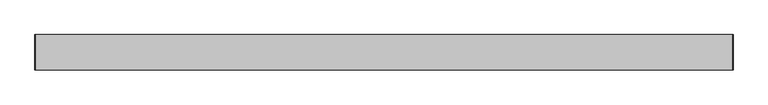
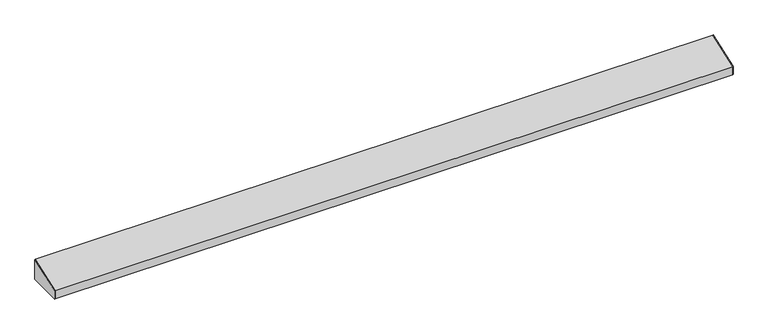
"""IFC4 building model written with IfcOpenShell, lengths in millimetres: furniture geometry."""

import ifcopenshell
import ifcopenshell.guid

model = None  # the IFC model being written
_history = None  # IfcOwnerHistory: only IFC2X3 demands one
_inside = {}  # id of a spatial element -> (the spatial element, [elements in it])
_under = {}  # id of a project, library or spatial element -> (it, [spatial elements below it])
_declared = {}  # id of a project -> (the project, [libraries it declares])
_typed = {}  # id of a type object -> (the type object, [elements of that type])
_made_of = {}  # id of a material, layer set ... -> (it, [elements and type objects made of it])


def new_model(schema):
    """Start an empty IFC model of exactly this schema.

    Asked for "IFC4X3", IfcOpenShell would pick the latest addendum, in which some entities
    have other attributes; the version numbers below select the first issue.
    IFC2X3 requires an IfcOwnerHistory on every rooted entity: one is made here for all.
    """
    global model, _history
    if schema == "IFC4X3":
        model = ifcopenshell.file(schema_version=(4, 3, 0, 0))
    else:
        model = ifcopenshell.file(schema=schema)
    _inside.clear()
    _under.clear()
    _declared.clear()
    _typed.clear()
    _made_of.clear()
    _history = None
    if model.schema == "IFC2X3":
        org = make("IfcOrganization", Name="unknown")
        user = make(
            "IfcPersonAndOrganization",
            ThePerson=make("IfcPerson", FamilyName="unknown"),
            TheOrganization=org,
        )
        app = make(
            "IfcApplication",
            ApplicationDeveloper=org,
            Version="unknown",
            ApplicationFullName="unknown",
            ApplicationIdentifier="unknown",
        )
        _history = make(
            "IfcOwnerHistory",
            OwningUser=user,
            OwningApplication=app,
            ChangeAction="ADDED",
            CreationDate=0,
        )
    return model


def make(cls, **values):
    """One entity of the class cls with the attributes given. An attribute that is None is left unset."""
    return model.create_entity(
        cls, **{name: value for name, value in values.items() if value is not None}
    )


def rooted(cls, **values):
    """An entity with a GlobalId (a new one), such as an element, a storey or a relation."""
    return make(cls, GlobalId=ifcopenshell.guid.new(), OwnerHistory=_history, **values)


def si_unit(unit_type, name, prefix=None):
    """IfcSIUnit, for example si_unit("LENGTHUNIT", "METRE", prefix="MILLI")."""
    return make("IfcSIUnit", UnitType=unit_type, Prefix=prefix, Name=name)


def assignment(units):
    """IfcUnitAssignment: the units of a project."""
    return None if units is None else make("IfcUnitAssignment", Units=units)


def point(xyz):
    """IfcCartesianPoint."""
    return None if xyz is None else make("IfcCartesianPoint", Coordinates=xyz)


def direction(xyz):
    """IfcDirection."""
    return None if xyz is None else make("IfcDirection", DirectionRatios=xyz)


def frame(location, z_axis=None, x_axis=None):
    """IfcAxis2Placement3D, a coordinate frame: its origin and axes. An axis left out is left unset."""
    return make(
        "IfcAxis2Placement3D",
        Location=point(location),
        Axis=direction(z_axis),
        RefDirection=direction(x_axis),
    )


def origin():
    """The frame at (0, 0, 0) with its axes left unset."""
    return frame((0.0, 0.0, 0.0))


def place(relative_to, where):
    """IfcLocalPlacement: puts the frame where relative to a parent placement (None: the world)."""
    return make(
        "IfcLocalPlacement", PlacementRelTo=relative_to, RelativePlacement=where
    )


def context(
    kind, dimensions, precision=None, world=None, true_north=None, identifier=None
):
    """IfcGeometricRepresentationContext, for example the 3D "Model" context."""
    return make(
        "IfcGeometricRepresentationContext",
        ContextIdentifier=identifier,
        ContextType=kind,
        CoordinateSpaceDimension=dimensions,
        Precision=precision,
        WorldCoordinateSystem=world,
        TrueNorth=true_north,
    )


def project(units=None, contexts=None):
    """IfcProject with its units and contexts."""
    return rooted(
        "IfcProject",
        Name="project",
        RepresentationContexts=contexts,
        UnitsInContext=assignment(units),
    )


def spatial(cls, under=None, at=None, **own):
    """A site, building, storey or space (cls), placed at a placement, below another one or the project."""
    s = rooted(cls, ObjectPlacement=at, **own)
    if under is not None:
        _under.setdefault(under.id(), (under, []))[1].append(s)
    return s


def polyline(points):
    """IfcPolyline through the points."""
    return make("IfcPolyline", Points=[point(p) for p in points])


def outline(outer, holes=None, kind="AREA"):
    """IfcArbitraryClosedProfileDef: a profile drawn as a closed curve; with holes, ...WithVoids."""
    if holes is None:
        return make("IfcArbitraryClosedProfileDef", ProfileType=kind, OuterCurve=outer)
    return make(
        "IfcArbitraryProfileDefWithVoids",
        ProfileType=kind,
        OuterCurve=outer,
        InnerCurves=holes,
    )


def extrude(swept, where, along, depth):
    """IfcExtrudedAreaSolid: the profile swept, set in the frame where, extruded along a direction by depth."""
    return make(
        "IfcExtrudedAreaSolid",
        SweptArea=swept,
        Position=where,
        ExtrudedDirection=direction(along),
        Depth=depth,
    )


def shape(context_of_items, identifier, shape_type, items):
    """IfcShapeRepresentation: the items that make up one representation, for example the "Body"."""
    return make(
        "IfcShapeRepresentation",
        ContextOfItems=context_of_items,
        RepresentationIdentifier=identifier,
        RepresentationType=shape_type,
        Items=items,
    )


def source(mapping_origin, context_of_items, identifier, shape_type, items):
    """IfcRepresentationMap: a shape defined once, which mapped items show again and again."""
    return make(
        "IfcRepresentationMap",
        MappingOrigin=mapping_origin,
        MappedRepresentation=shape(context_of_items, identifier, shape_type, items),
    )


def transform(
    local_origin,
    x_axis=None,
    y_axis=None,
    z_axis=None,
    scale=None,
    scale2=None,
    scale3=None,
    uniform=True,
):
    """IfcCartesianTransformationOperator3D, or its non-uniform kind. x_axis, y_axis, z_axis: its Axis1, 2, 3."""
    if uniform:
        return make(
            "IfcCartesianTransformationOperator3D",
            Axis1=direction(x_axis),
            Axis2=direction(y_axis),
            LocalOrigin=point(local_origin),
            Scale=scale,
            Axis3=direction(z_axis),
        )
    return make(
        "IfcCartesianTransformationOperator3DnonUniform",
        Axis1=direction(x_axis),
        Axis2=direction(y_axis),
        LocalOrigin=point(local_origin),
        Scale=scale,
        Axis3=direction(z_axis),
        Scale2=scale2,
        Scale3=scale3,
    )


def mapped(mapping_source, mapping_target):
    """IfcMappedItem: shows the shape of a source again, moved by a transform."""
    return make(
        "IfcMappedItem", MappingSource=mapping_source, MappingTarget=mapping_target
    )


def made_of(thing, what):
    """Note that an element or type object is made of a material, layer set ...; save() writes the relation."""
    if what is not None:
        _made_of.setdefault(what.id(), (what, []))[1].append(thing)
    return thing


def element(
    cls,
    number,
    at=None,
    inside=None,
    cuts=None,
    type_object=None,
    material=None,
    context=None,
    identifier="Body",
    shape_type=None,
    held_by="IfcProductDefinitionShape",
    body=None,
    shapes=None,
    **own,
):
    """One element of the class cls, such as IfcWall. Its Tag is "e" and its number.

    at: its placement. inside: the storey or other place that contains it. cuts: it is an
    opening in that element (IfcRelVoidsElement). A single representation is given by context,
    identifier, shape_type and body (its items); several are given by shapes. held_by: the class
    of the entity that holds the representations. save() writes the other relations.
    """
    e = rooted(cls, Tag="e%d" % number, ObjectPlacement=at, **own)
    if body is not None:
        shapes = [shape(context, identifier, shape_type, body)]
    if shapes is not None:
        e.Representation = make(held_by, Representations=shapes)
    if inside is not None:
        _inside.setdefault(inside.id(), (inside, []))[1].append(e)
    if cuts is not None:
        rooted(
            "IfcRelVoidsElement", RelatingBuildingElement=cuts, RelatedOpeningElement=e
        )
    if type_object is not None:
        _typed.setdefault(type_object.id(), (type_object, []))[1].append(e)
    return made_of(e, material)


def aggregate(whole, parts):
    """IfcRelAggregates: a whole, such as a stair, and the parts it consists of."""
    return rooted("IfcRelAggregates", RelatingObject=whole, RelatedObjects=parts)


def save(model, path):
    """Write the relations noted so far, then the file.

    IfcRelAggregates (storeys below a building ...), IfcRelContainedInSpatialStructure (elements
    in a storey), IfcRelDefinesByType, IfcRelAssociatesMaterial and IfcRelDeclares: one each for
    every whole, place, type object, material and project.
    """
    for whole, parts in _under.values():
        aggregate(whole, parts)
    for where, things in _inside.values():
        rooted(
            "IfcRelContainedInSpatialStructure",
            RelatedElements=things,
            RelatingStructure=where,
        )
    for kind, things in _typed.values():
        rooted("IfcRelDefinesByType", RelatedObjects=things, RelatingType=kind)
    for what, things in _made_of.values():
        rooted("IfcRelAssociatesMaterial", RelatedObjects=things, RelatingMaterial=what)
    for by, libraries in _declared.values():
        rooted("IfcRelDeclares", RelatingContext=by, RelatedDefinitions=libraries)
    model.write(path)


def furniture_0a3301c9(model_context):
    return source(origin(), model_context, "Body", "SweptSolid", [
        extrude(outline(polyline([(-97.4564662, 2121.3261966), (-21.2564662, 2148.5825075), (-21.2564662, 2102.5450075), (-97.4564662, 2102.5450075), (-97.4564662, 2121.3261966)])), frame((766.4502049, 0.0, 0.0), z_axis=(1.0, 0.0, 0.0), x_axis=(0.0, 1.0, 0.0)), (0.0, 0.0, 1.0), 0.79375),
        extrude(outline(polyline([(-21.2564662, 2102.5450075), (-97.4564662, 2102.5450075), (-97.4564662, 2121.3261966), (-21.2564662, 2148.5825075), (-21.2564662, 2102.5450075)])), frame((-729.7685451, 0.0, 0.0), z_axis=(1.0, 0.0, 0.0), x_axis=(0.0, 1.0, 0.0)), (0.0, 0.0, 1.0), 0.79375),
        extrude(outline(polyline([(-21.2564662, 2102.5450075), (-33.9564662, 2102.5450075), (-33.9564662, 2103.3387575), (-22.0502162, 2103.3387575), (-22.0502162, 2147.4998561), (-96.6627162, 2120.821348), (-96.6627162, 2103.3387575), (-84.7564662, 2103.3387575), (-84.7564662, 2102.5450075), (-97.4564662, 2102.5450075), (-97.4564662, 2121.3261966), (-21.2564662, 2148.5825075), (-21.2564662, 2102.5450075)])), frame((-728.9747951, 0.0, 0.0), z_axis=(1.0, 0.0, 0.0), x_axis=(0.0, 1.0, 0.0)), (0.0, 0.0, 1.0), 1495.425),
    ])


if __name__ == "__main__":
    model = new_model("IFC4")
    model_context = context("Model", 3, world=origin())
    ifc_project = project(units=[si_unit("LENGTHUNIT", "METRE", prefix="MILLI")], contexts=[model_context])
    site = spatial("IfcSite", under=ifc_project)
    building = spatial("IfcBuilding", under=site)
    placement = place(None, origin())
    furniture_shape = furniture_0a3301c9(model_context)
    element("IfcFurniture", 1, at=placement, inside=building, context=model_context, shape_type="MappedRepresentation", body=[
        mapped(furniture_shape, transform((0.0, 0.0, 0.0), x_axis=(1.0, 0.0, 0.0), y_axis=(0.0, 1.0, 0.0), z_axis=(0.0, 0.0, 1.0))),
    ])
    save(model, "model.ifc")
